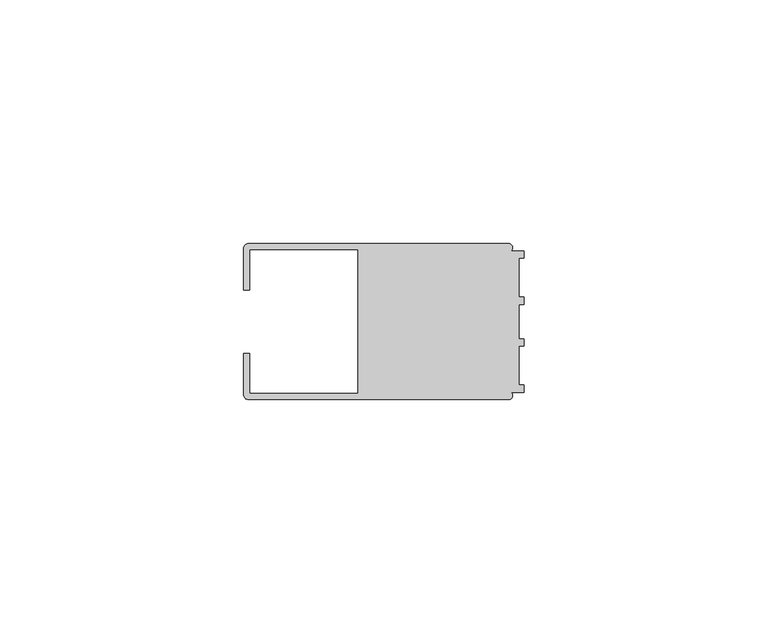
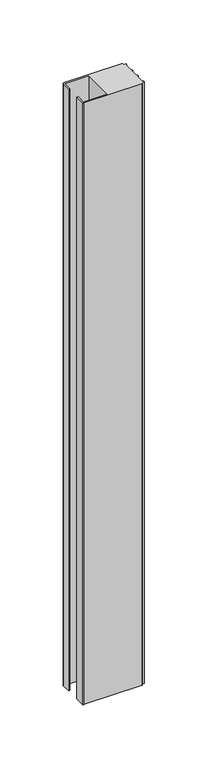
"""IFC4 building model written with IfcOpenShell, lengths in millimetres: member geometry."""

import ifcopenshell
import ifcopenshell.guid

model = None  # the IFC model being written
_history = None  # IfcOwnerHistory: only IFC2X3 demands one
_inside = {}  # id of a spatial element -> (the spatial element, [elements in it])
_under = {}  # id of a project, library or spatial element -> (it, [spatial elements below it])
_declared = {}  # id of a project -> (the project, [libraries it declares])
_typed = {}  # id of a type object -> (the type object, [elements of that type])
_made_of = {}  # id of a material, layer set ... -> (it, [elements and type objects made of it])


def new_model(schema):
    """Start an empty IFC model of exactly this schema.

    Asked for "IFC4X3", IfcOpenShell would pick the latest addendum, in which some entities
    have other attributes; the version numbers below select the first issue.
    IFC2X3 requires an IfcOwnerHistory on every rooted entity: one is made here for all.
    """
    global model, _history
    if schema == "IFC4X3":
        model = ifcopenshell.file(schema_version=(4, 3, 0, 0))
    else:
        model = ifcopenshell.file(schema=schema)
    _inside.clear()
    _under.clear()
    _declared.clear()
    _typed.clear()
    _made_of.clear()
    _history = None
    if model.schema == "IFC2X3":
        org = make("IfcOrganization", Name="unknown")
        user = make(
            "IfcPersonAndOrganization",
            ThePerson=make("IfcPerson", FamilyName="unknown"),
            TheOrganization=org,
        )
        app = make(
            "IfcApplication",
            ApplicationDeveloper=org,
            Version="unknown",
            ApplicationFullName="unknown",
            ApplicationIdentifier="unknown",
        )
        _history = make(
            "IfcOwnerHistory",
            OwningUser=user,
            OwningApplication=app,
            ChangeAction="ADDED",
            CreationDate=0,
        )
    return model


def make(cls, **values):
    """One entity of the class cls with the attributes given. An attribute that is None is left unset."""
    return model.create_entity(
        cls, **{name: value for name, value in values.items() if value is not None}
    )


def rooted(cls, **values):
    """An entity with a GlobalId (a new one), such as an element, a storey or a relation."""
    return make(cls, GlobalId=ifcopenshell.guid.new(), OwnerHistory=_history, **values)


def si_unit(unit_type, name, prefix=None):
    """IfcSIUnit, for example si_unit("LENGTHUNIT", "METRE", prefix="MILLI")."""
    return make("IfcSIUnit", UnitType=unit_type, Prefix=prefix, Name=name)


def assignment(units):
    """IfcUnitAssignment: the units of a project."""
    return None if units is None else make("IfcUnitAssignment", Units=units)


def point(xyz):
    """IfcCartesianPoint."""
    return None if xyz is None else make("IfcCartesianPoint", Coordinates=xyz)


def direction(xyz):
    """IfcDirection."""
    return None if xyz is None else make("IfcDirection", DirectionRatios=xyz)


def frame(location, z_axis=None, x_axis=None):
    """IfcAxis2Placement3D, a coordinate frame: its origin and axes. An axis left out is left unset."""
    return make(
        "IfcAxis2Placement3D",
        Location=point(location),
        Axis=direction(z_axis),
        RefDirection=direction(x_axis),
    )


def frame_2d(location, x_axis=None):
    """IfcAxis2Placement2D, a coordinate frame in the plane: its origin and x axis."""
    return make(
        "IfcAxis2Placement2D", Location=point(location), RefDirection=direction(x_axis)
    )


def origin():
    """The frame at (0, 0, 0) with its axes left unset."""
    return frame((0.0, 0.0, 0.0))


def place(relative_to, where):
    """IfcLocalPlacement: puts the frame where relative to a parent placement (None: the world)."""
    return make(
        "IfcLocalPlacement", PlacementRelTo=relative_to, RelativePlacement=where
    )


def context(
    kind, dimensions, precision=None, world=None, true_north=None, identifier=None
):
    """IfcGeometricRepresentationContext, for example the 3D "Model" context."""
    return make(
        "IfcGeometricRepresentationContext",
        ContextIdentifier=identifier,
        ContextType=kind,
        CoordinateSpaceDimension=dimensions,
        Precision=precision,
        WorldCoordinateSystem=world,
        TrueNorth=true_north,
    )


def project(units=None, contexts=None):
    """IfcProject with its units and contexts."""
    return rooted(
        "IfcProject",
        Name="project",
        RepresentationContexts=contexts,
        UnitsInContext=assignment(units),
    )


def spatial(cls, under=None, at=None, **own):
    """A site, building, storey or space (cls), placed at a placement, below another one or the project."""
    s = rooted(cls, ObjectPlacement=at, **own)
    if under is not None:
        _under.setdefault(under.id(), (under, []))[1].append(s)
    return s


def polyline(points):
    """IfcPolyline through the points."""
    return make("IfcPolyline", Points=[point(p) for p in points])


def circle_curve(where, radius):
    """IfcCircle in the frame where."""
    return make("IfcCircle", Position=where, Radius=radius)


def trimmed(basis, trim1, trim2, sense, master):
    """IfcTrimmedCurve: the piece of a basis curve between two trims."""
    return make(
        "IfcTrimmedCurve",
        BasisCurve=basis,
        Trim1=trim1,
        Trim2=trim2,
        SenseAgreement=sense,
        MasterRepresentation=master,
    )


def segment(curve, same_sense, transition):
    """IfcCompositeCurveSegment."""
    return make(
        "IfcCompositeCurveSegment",
        Transition=transition,
        SameSense=same_sense,
        ParentCurve=curve,
    )


def composite_curve(segments, self_intersect=None):
    """IfcCompositeCurve: segments joined end to end."""
    return make("IfcCompositeCurve", Segments=segments, SelfIntersect=self_intersect)


def outline(outer, holes=None, kind="AREA"):
    """IfcArbitraryClosedProfileDef: a profile drawn as a closed curve; with holes, ...WithVoids."""
    if holes is None:
        return make("IfcArbitraryClosedProfileDef", ProfileType=kind, OuterCurve=outer)
    return make(
        "IfcArbitraryProfileDefWithVoids",
        ProfileType=kind,
        OuterCurve=outer,
        InnerCurves=holes,
    )


def extrude(swept, where, along, depth):
    """IfcExtrudedAreaSolid: the profile swept, set in the frame where, extruded along a direction by depth."""
    return make(
        "IfcExtrudedAreaSolid",
        SweptArea=swept,
        Position=where,
        ExtrudedDirection=direction(along),
        Depth=depth,
    )


def shape(context_of_items, identifier, shape_type, items):
    """IfcShapeRepresentation: the items that make up one representation, for example the "Body"."""
    return make(
        "IfcShapeRepresentation",
        ContextOfItems=context_of_items,
        RepresentationIdentifier=identifier,
        RepresentationType=shape_type,
        Items=items,
    )


def source(mapping_origin, context_of_items, identifier, shape_type, items):
    """IfcRepresentationMap: a shape defined once, which mapped items show again and again."""
    return make(
        "IfcRepresentationMap",
        MappingOrigin=mapping_origin,
        MappedRepresentation=shape(context_of_items, identifier, shape_type, items),
    )


def transform(
    local_origin,
    x_axis=None,
    y_axis=None,
    z_axis=None,
    scale=None,
    scale2=None,
    scale3=None,
    uniform=True,
):
    """IfcCartesianTransformationOperator3D, or its non-uniform kind. x_axis, y_axis, z_axis: its Axis1, 2, 3."""
    if uniform:
        return make(
            "IfcCartesianTransformationOperator3D",
            Axis1=direction(x_axis),
            Axis2=direction(y_axis),
            LocalOrigin=point(local_origin),
            Scale=scale,
            Axis3=direction(z_axis),
        )
    return make(
        "IfcCartesianTransformationOperator3DnonUniform",
        Axis1=direction(x_axis),
        Axis2=direction(y_axis),
        LocalOrigin=point(local_origin),
        Scale=scale,
        Axis3=direction(z_axis),
        Scale2=scale2,
        Scale3=scale3,
    )


def mapped(mapping_source, mapping_target):
    """IfcMappedItem: shows the shape of a source again, moved by a transform."""
    return make(
        "IfcMappedItem", MappingSource=mapping_source, MappingTarget=mapping_target
    )


def made_of(thing, what):
    """Note that an element or type object is made of a material, layer set ...; save() writes the relation."""
    if what is not None:
        _made_of.setdefault(what.id(), (what, []))[1].append(thing)
    return thing


def element(
    cls,
    number,
    at=None,
    inside=None,
    cuts=None,
    type_object=None,
    material=None,
    context=None,
    identifier="Body",
    shape_type=None,
    held_by="IfcProductDefinitionShape",
    body=None,
    shapes=None,
    **own,
):
    """One element of the class cls, such as IfcWall. Its Tag is "e" and its number.

    at: its placement. inside: the storey or other place that contains it. cuts: it is an
    opening in that element (IfcRelVoidsElement). A single representation is given by context,
    identifier, shape_type and body (its items); several are given by shapes. held_by: the class
    of the entity that holds the representations. save() writes the other relations.
    """
    e = rooted(cls, Tag="e%d" % number, ObjectPlacement=at, **own)
    if body is not None:
        shapes = [shape(context, identifier, shape_type, body)]
    if shapes is not None:
        e.Representation = make(held_by, Representations=shapes)
    if inside is not None:
        _inside.setdefault(inside.id(), (inside, []))[1].append(e)
    if cuts is not None:
        rooted(
            "IfcRelVoidsElement", RelatingBuildingElement=cuts, RelatedOpeningElement=e
        )
    if type_object is not None:
        _typed.setdefault(type_object.id(), (type_object, []))[1].append(e)
    return made_of(e, material)


def aggregate(whole, parts):
    """IfcRelAggregates: a whole, such as a stair, and the parts it consists of."""
    return rooted("IfcRelAggregates", RelatingObject=whole, RelatedObjects=parts)


def save(model, path):
    """Write the relations noted so far, then the file.

    IfcRelAggregates (storeys below a building ...), IfcRelContainedInSpatialStructure (elements
    in a storey), IfcRelDefinesByType, IfcRelAssociatesMaterial and IfcRelDeclares: one each for
    every whole, place, type object, material and project.
    """
    for whole, parts in _under.values():
        aggregate(whole, parts)
    for where, things in _inside.values():
        rooted(
            "IfcRelContainedInSpatialStructure",
            RelatedElements=things,
            RelatingStructure=where,
        )
    for kind, things in _typed.values():
        rooted("IfcRelDefinesByType", RelatedObjects=things, RelatingType=kind)
    for what, things in _made_of.values():
        rooted("IfcRelAssociatesMaterial", RelatedObjects=things, RelatingMaterial=what)
    for by, libraries in _declared.values():
        rooted("IfcRelDeclares", RelatingContext=by, RelatedDefinitions=libraries)
    model.write(path)


def member_8ef3526c(model_context):
    return source(origin(), model_context, "Body", "SweptSolid", [
        extrude(outline(composite_curve([segment(polyline([(-57.5, -6.4992596), (-56.2495396, -6.4992596), (-56.2495396, -14.748825), (-34.0, -14.748825), (-34.0, 14.7490791), (-56.2495396, 14.7490791), (-56.2495396, 6.4995138), (-57.5, 6.4995138), (-57.5, 14.9988146)]), True, "CONTINUOUS"), segment(trimmed(circle_curve(frame_2d((-56.4988146, 14.9988146)), 1.0011854), [point((-57.5, 14.9988146))], [point((-56.4988146, 16.0))], False, "CARTESIAN"), True, "CONTINUOUS"), segment(polyline([(-56.4988146, 16.0), (-3.1117213, 16.0)]), True, "CONTINUOUS"), segment(trimmed(circle_curve(frame_2d((-3.1117213, 15.2000428)), 0.7999572), [point((-3.1117213, 16.0))], [point((-2.7237818, 14.5004469))], False, "CARTESIAN"), True, "CONTINUOUS"), segment(polyline([(-2.7237818, 14.5004469), (0.0, 14.5004469), (0.0, 13.0002136), (-0.999267, 13.0002136), (-0.999267, 5.0005709), (0.0, 5.0005709), (0.0, 3.5391588), (-0.999267, 3.5001879), (-0.999267, -3.5001879), (0.0, -3.5378881), (0.0, -4.9993001), (-0.999267, -4.9993001), (-0.999267, -12.9993664), (0.0, -12.9993664), (0.0, -14.4989182), (-2.7260256, -14.4989182)]), True, "CONTINUOUS"), segment(trimmed(circle_curve(frame_2d((-3.1117577, -15.2001372)), 0.8003107), [point((-2.7260256, -14.4989182))], [point((-3.1385263, -16.0))], False, "CARTESIAN"), True, "CONTINUOUS"), segment(polyline([(-3.1385263, -16.0), (-56.498921, -16.0)]), True, "CONTINUOUS"), segment(trimmed(circle_curve(frame_2d((-56.498921, -14.998921)), 1.001079), [point((-56.498921, -16.0))], [point((-57.5, -14.998921))], False, "CARTESIAN"), True, "CONTINUOUS"), segment(polyline([(-57.5, -14.998921), (-57.5, -6.4992596)]), True, "CONTINUOUS")], self_intersect=False)), frame((0.0, 0.0, -586.4999997), z_axis=(0.0, 0.0, 1.0), x_axis=(1.0, 0.0, 0.0)), (0.0, 0.0, 1.0), 586.4999997),
    ])


if __name__ == "__main__":
    model = new_model("IFC4")
    model_context = context("Model", 3, world=origin())
    ifc_project = project(units=[si_unit("LENGTHUNIT", "METRE", prefix="MILLI")], contexts=[model_context])
    site = spatial("IfcSite", under=ifc_project)
    building = spatial("IfcBuilding", under=site)
    placement = place(None, origin())
    member_shape = member_8ef3526c(model_context)
    element("IfcMember", 1, at=placement, inside=building, context=model_context, shape_type="MappedRepresentation", body=[
        mapped(member_shape, transform((0.0, 0.0, 0.0), x_axis=(1.0, 0.0, 0.0), y_axis=(0.0, 1.0, 0.0), z_axis=(0.0, 0.0, 1.0))),
    ])
    save(model, "model.ifc")
